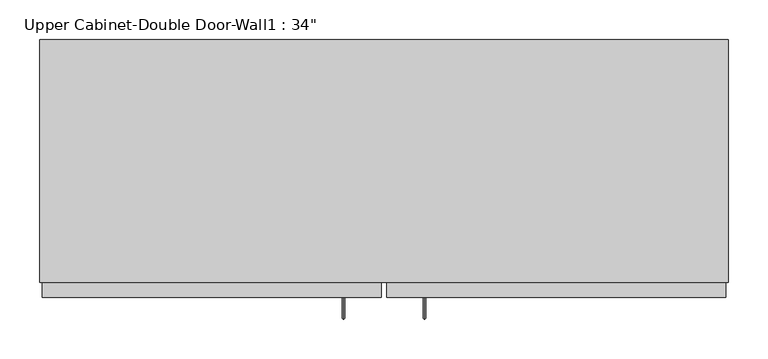
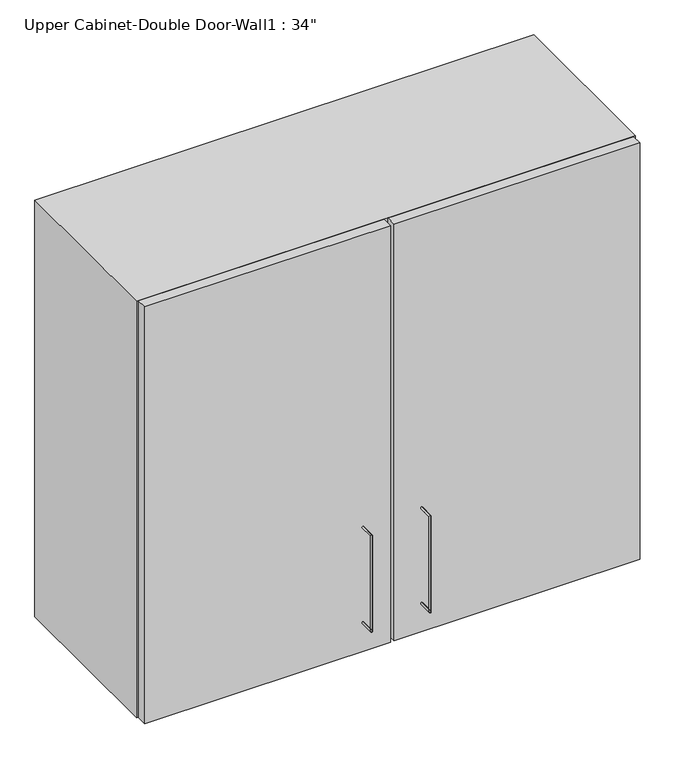
"""IFC4 building model written with IfcOpenShell, lengths in millimetres: furniture geometry."""

from ifc_helpers import new_model, si_unit, frame, origin, place, context, project, spatial, polyline, circle_curve, ellipse_curve, outline, extrude, faceted_brep, source, transform, mapped, element, save
from ifc_brep_helpers import plane_surface, cylinder_surface, advanced_brep


def furniture_4fdefb3c(model_context):
    return source(origin(), model_context, "Body", "SolidModel", [
        advanced_brep(
        [(80.5132081, -396.225, 1425.575), (80.5132081, -396.225, 1422.4), (80.5132081, -423.2125, 1422.4), (80.5132081, -420.0375, 1425.575), (80.5132081, -423.2125, 1600.2), (80.5132081, -420.0375, 1597.025), (80.5132081, -396.225, 1597.025), (80.5132081, -396.225, 1600.2)],
        [
            (0, 1, circle_curve(frame((80.5132081, -396.225, 1423.9875), z_axis=(0.0, 1.0, 0.0), x_axis=(0.0, 0.0, -1.0)), 1.5875)),
            (1, 0, circle_curve(frame((80.5132081, -396.225, 1423.9875), z_axis=(0.0, 1.0, 0.0), x_axis=(0.0, 0.0, -1.0)), 1.5875)),
            (1, 2),
            (2, 3, ellipse_curve(frame((80.5132081, -421.625, 1423.9875), z_axis=(0.0, 0.7071067811865536, -0.7071067811865416), x_axis=(0.0, 0.7071067811865415, 0.7071067811865536)), 2.245064, 1.5875)),
            (3, 0),
            (3, 2, ellipse_curve(frame((80.5132081, -421.625, 1423.9875), z_axis=(0.0, 0.7071067811865536, -0.7071067811865416), x_axis=(0.0, 0.7071067811865415, 0.7071067811865536)), 2.245064, 1.5875)),
            (2, 4),
            (4, 5, ellipse_curve(frame((80.5132081, -421.625, 1598.6125), z_axis=(0.0, -0.7071067811865415, -0.7071067811865535), x_axis=(0.0, 0.7071067811865533, -0.7071067811865418)), 2.245064, 1.5875)),
            (5, 3),
            (5, 4, ellipse_curve(frame((80.5132081, -421.625, 1598.6125), z_axis=(0.0, -0.7071067811865415, -0.7071067811865535), x_axis=(0.0, 0.7071067811865533, -0.7071067811865418)), 2.245064, 1.5875)),
            (6, 7, circle_curve(frame((80.5132081, -396.225, 1598.6125), z_axis=(0.0, 1.0, 0.0), x_axis=(0.0, 0.0, 1.0)), 1.5875)),
            (7, 6, circle_curve(frame((80.5132081, -396.225, 1598.6125), z_axis=(0.0, 1.0, 0.0), x_axis=(0.0, 0.0, 1.0)), 1.5875)),
            (4, 7),
            (6, 5),
        ],
        [
            plane_surface(frame((80.5132081, -396.225, 1423.9875), z_axis=(0.0, 1.0, 0.0), x_axis=(-1.0, 0.0, 0.0))),
            cylinder_surface(frame((80.5132081, -396.225, 1423.9875), z_axis=(0.0, 1.0, 0.0), x_axis=(0.0, 0.0, -1.0)), 1.5875),
            cylinder_surface(frame((80.5132081, -421.625, 1423.9875), z_axis=(0.0, 0.0, -1.0), x_axis=(0.0, -1.0, 0.0)), 1.5875),
            plane_surface(frame((80.5132081, -396.225, 1598.6125), z_axis=(0.0, 1.0, 0.0), x_axis=(-1.0, 0.0, 0.0))),
            cylinder_surface(frame((80.5132081, -421.625, 1598.6125), z_axis=(0.0, -1.0, 0.0), x_axis=(0.0, 0.0, 1.0)), 1.5875),
        ],
        [
            (0, [[1, 2]]),
            (1, [[3, 4, 5, -2]]),
            (1, [[-5, 6, -3, -1]]),
            (2, [[7, 8, 9, -4]]),
            (2, [[-9, 10, -7, -6]]),
            (3, [[11, 12]]),
            (4, [[13, -11, 14, -8]]),
            (4, [[-14, -12, -13, -10]]),
        ],
    ),
        advanced_brep(
        [(-21.0867919, -396.225, 1425.575), (-21.0867919, -396.225, 1422.4), (-21.0867919, -423.2125, 1422.4), (-21.0867919, -420.0375, 1425.575), (-21.0867919, -423.2125, 1600.2), (-21.0867919, -420.0375, 1597.025), (-21.0867919, -396.225, 1597.025), (-21.0867919, -396.225, 1600.2)],
        [
            (0, 1, circle_curve(frame((-21.0867919, -396.225, 1423.9875), z_axis=(0.0, 1.0, 0.0), x_axis=(0.0, 0.0, -1.0)), 1.5875)),
            (1, 0, circle_curve(frame((-21.0867919, -396.225, 1423.9875), z_axis=(0.0, 1.0, 0.0), x_axis=(0.0, 0.0, -1.0)), 1.5875)),
            (1, 2),
            (2, 3, ellipse_curve(frame((-21.0867919, -421.625, 1423.9875), z_axis=(0.0, 0.7071067811865536, -0.7071067811865414), x_axis=(0.0, 0.7071067811865416, 0.7071067811865535)), 2.245064, 1.5875)),
            (3, 0),
            (3, 2, ellipse_curve(frame((-21.0867919, -421.625, 1423.9875), z_axis=(0.0, 0.7071067811865536, -0.7071067811865414), x_axis=(0.0, 0.7071067811865416, 0.7071067811865535)), 2.245064, 1.5875)),
            (2, 4),
            (4, 5, ellipse_curve(frame((-21.0867919, -421.625, 1598.6125), z_axis=(0.0, -0.7071067811865415, -0.7071067811865535), x_axis=(0.0, 0.7071067811865533, -0.7071067811865416)), 2.245064, 1.5875)),
            (5, 3),
            (5, 4, ellipse_curve(frame((-21.0867919, -421.625, 1598.6125), z_axis=(0.0, -0.7071067811865415, -0.7071067811865535), x_axis=(0.0, 0.7071067811865533, -0.7071067811865416)), 2.245064, 1.5875)),
            (6, 7, circle_curve(frame((-21.0867919, -396.225, 1598.6125), z_axis=(0.0, 1.0, 0.0), x_axis=(0.0, 0.0, 1.0)), 1.5875)),
            (7, 6, circle_curve(frame((-21.0867919, -396.225, 1598.6125), z_axis=(0.0, 1.0, 0.0), x_axis=(0.0, 0.0, 1.0)), 1.5875)),
            (4, 7),
            (6, 5),
        ],
        [
            plane_surface(frame((-21.0867919, -396.225, 1423.9875), z_axis=(0.0, 1.0, 0.0), x_axis=(-1.0, 0.0, 0.0))),
            cylinder_surface(frame((-21.0867919, -396.225, 1423.9875), z_axis=(0.0, 1.0, 0.0), x_axis=(0.0, 0.0, -1.0)), 1.5875),
            cylinder_surface(frame((-21.0867919, -421.625, 1423.9875), z_axis=(0.0, 0.0, -1.0), x_axis=(0.0, -1.0, 0.0)), 1.5875),
            plane_surface(frame((-21.0867919, -396.225, 1598.6125), z_axis=(0.0, 1.0, 0.0), x_axis=(-1.0, 0.0, 0.0))),
            cylinder_surface(frame((-21.0867919, -421.625, 1598.6125), z_axis=(0.0, -1.0, 0.0), x_axis=(0.0, 0.0, 1.0)), 1.5875),
        ],
        [
            (0, [[1, 2]]),
            (1, [[3, 4, 5, -2]]),
            (1, [[-5, 6, -3, -1]]),
            (2, [[7, 8, 9, -4]]),
            (2, [[-9, 10, -7, -6]]),
            (3, [[11, 12]]),
            (4, [[13, -11, 14, -8]]),
            (4, [[-14, -12, -13, -10]]),
        ],
    ),
        faceted_brep([(-402.0288372, -72.375, 2133.6), (461.5711628, -72.375, 2133.6), (461.5711628, -72.375, 1371.6), (-402.0288372, -72.375, 1371.6), (-402.0288372, -377.175, 2133.6), (-402.0288372, -377.175, 1371.6), (461.5711628, -377.175, 1371.6), (461.5711628, -377.175, 2133.6), (442.5211628, -377.175, 2114.55), (442.5211628, -377.175, 1390.65), (55.1711628, -377.175, 1390.65), (55.1711628, -377.175, 2114.55), (-382.9788372, -377.175, 2114.55), (4.3711628, -377.175, 2114.55), (4.3711628, -377.175, 1390.65), (-382.9788372, -377.175, 1390.65), (-382.9788372, -91.425, 2114.55), (442.5211628, -91.425, 2114.55), (55.1711628, -358.125, 2114.55), (4.3711628, -358.125, 2114.55), (442.5211628, -91.425, 1390.65), (-382.9788372, -91.425, 1390.65), (4.3711628, -358.125, 1390.65), (55.1711628, -358.125, 1390.65)], [[[0, 1, 2, 3]], [[4, 5, 6, 7], [8, 9, 10, 11], [12, 13, 14, 15]], [[3, 5, 4, 0]], [[2, 6, 5, 3]], [[1, 7, 6, 2]], [[0, 4, 7, 1]], [[16, 17, 8, 11, 18, 19, 13, 12]], [[8, 17, 20, 9]], [[20, 21, 15, 14, 22, 23, 10, 9]], [[15, 21, 16, 12]], [[16, 21, 20, 17]], [[18, 11, 10, 23]], [[13, 19, 22, 14]], [[23, 22, 19, 18]]]),
        extrude(outline(polyline([(32.9461628, -396.225), (32.9461628, -377.175), (458.3961628, -377.175), (458.3961628, -396.225), (32.9461628, -396.225)])), frame((0.0, 0.0, 1371.6), z_axis=(0.0, 0.0, 1.0), x_axis=(1.0, 0.0, 0.0)), (0.0, 0.0, 1.0), 762.0),
        extrude(outline(polyline([(-398.8538372, -396.225), (-398.8538372, -377.175), (26.5961628, -377.175), (26.5961628, -396.225), (-398.8538372, -396.225)])), frame((0.0, 0.0, 1371.6), z_axis=(0.0, 0.0, 1.0), x_axis=(1.0, 0.0, 0.0)), (0.0, 0.0, 1.0), 762.0),
        extrude(outline(polyline([(442.5211628, -358.125), (-382.9788372, -358.125), (-382.9788372, -91.425), (442.5211628, -91.425), (442.5211628, -358.125)])), frame((0.0, 0.0, 1951.0326388), z_axis=(0.0, 0.0, 1.0), x_axis=(1.0, 0.0, 0.0)), (0.0, 0.0, 1.0), 12.7),
        extrude(outline(polyline([(442.5211628, -358.125), (-382.9788372, -358.125), (-382.9788372, -91.425), (442.5211628, -91.425), (442.5211628, -358.125)])), frame((0.0, 0.0, 1773.2326388), z_axis=(0.0, 0.0, 1.0), x_axis=(1.0, 0.0, 0.0)), (0.0, 0.0, 1.0), 12.7),
        extrude(outline(polyline([(442.5211628, -358.125), (-382.9788372, -358.125), (-382.9788372, -91.425), (442.5211628, -91.425), (442.5211628, -358.125)])), frame((0.0, 0.0, 1595.4326388), z_axis=(0.0, 0.0, 1.0), x_axis=(1.0, 0.0, 0.0)), (0.0, 0.0, 1.0), 12.7),
    ])


if __name__ == "__main__":
    model = new_model("IFC4")
    model_context = context("Model", 3, world=origin())
    ifc_project = project(units=[si_unit("LENGTHUNIT", "METRE", prefix="MILLI")], contexts=[model_context])
    site = spatial("IfcSite", under=ifc_project)
    building = spatial("IfcBuilding", under=site)
    placement = place(None, origin())
    furniture_shape = furniture_4fdefb3c(model_context)
    element("IfcFurniture", 1, ObjectType="Upper Cabinet-Double Door-Wall1 : 34\"", at=placement, inside=building, context=model_context, shape_type="MappedRepresentation", body=[
        mapped(furniture_shape, transform((0.0, 0.0, 0.0), x_axis=(1.0, 0.0, 0.0), y_axis=(0.0, 1.0, 0.0), z_axis=(0.0, 0.0, 1.0))),
    ])
    save(model, "model.ifc")
